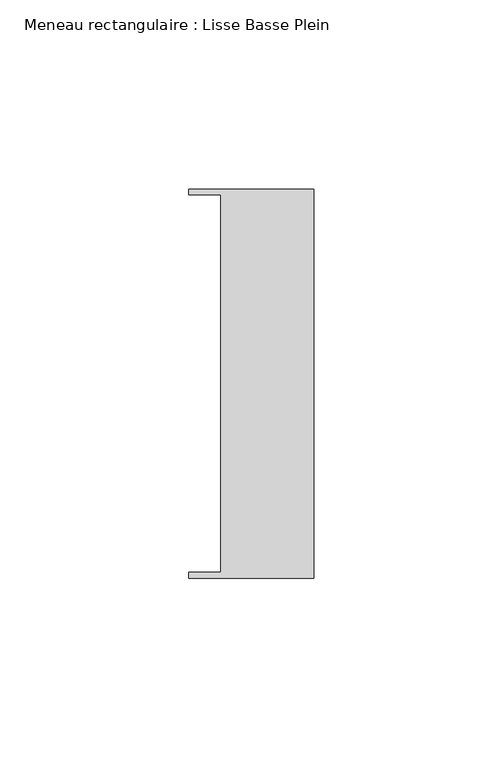
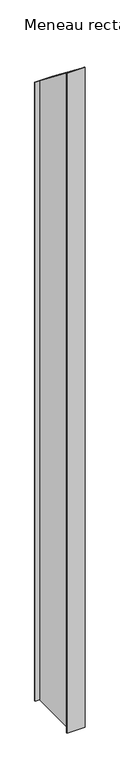
"""IFC4 building model written with IfcOpenShell, lengths in millimetres: member geometry, Meneau rectangulaire : Lisse Basse Plein."""

from ifc_helpers import new_model, si_unit, origin, place, context, project, spatial, faceted_brep, source, transform, mapped, element, save


def meneau_rectangulaire_lisse_basse_plein_6bac11b8(model_context):
    return source(origin(), model_context, "Body", "Brep", [
        faceted_brep([(0.0, -51.5026203, -1239.8081902), (-33.0710396, -51.5026203, -1239.8081902), (-33.0710396, -49.9505686, -1239.8081902), (-24.7130865, -49.9505686, -1239.8081902), (-24.7130865, 49.9505686, -1239.8081902), (-33.0710396, 49.9505686, -1239.8081902), (-33.0710396, 51.5026203, -1239.8081902), (0.0, 51.5026203, -1239.8081902), (0.0, 51.5026203, -40.1575848), (0.0, -51.5026203, 40.1575848), (-33.0710396, 51.5026203, -40.1575848), (-33.0710396, 49.9505686, -38.9474202), (-24.7130865, 49.9505686, -38.9474202), (-24.7130865, -49.9505686, 38.9474202), (-33.0710396, -49.9505686, 38.9474202), (-33.0710396, -51.5026203, 40.1575848)], [[[0, 1, 2, 3, 4, 5, 6, 7]], [[8, 9, 0, 7]], [[10, 8, 7, 6]], [[11, 10, 6, 5]], [[12, 11, 5, 4]], [[13, 12, 4, 3]], [[14, 13, 3, 2]], [[15, 14, 2, 1]], [[9, 15, 1, 0]], [[9, 8, 10, 11, 12, 13, 14, 15]]]),
    ])


if __name__ == "__main__":
    model = new_model("IFC4")
    model_context = context("Model", 3, world=origin())
    ifc_project = project(units=[si_unit("LENGTHUNIT", "METRE", prefix="MILLI")], contexts=[model_context])
    site = spatial("IfcSite", under=ifc_project)
    building = spatial("IfcBuilding", under=site)
    placement = place(None, origin())
    meneau_rectangulaire_lisse_basse_plein_shape = meneau_rectangulaire_lisse_basse_plein_6bac11b8(model_context)
    element("IfcMember", 1, ObjectType="Meneau rectangulaire : Lisse Basse Plein", at=placement, inside=building, context=model_context, shape_type="MappedRepresentation", body=[
        mapped(meneau_rectangulaire_lisse_basse_plein_shape, transform((0.0, 0.0, 0.0), x_axis=(1.0, 0.0, 0.0), y_axis=(0.0, 1.0, 0.0), z_axis=(0.0, 0.0, 1.0))),
    ])
    save(model, "model.ifc")
